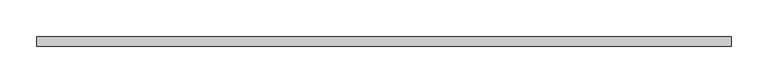
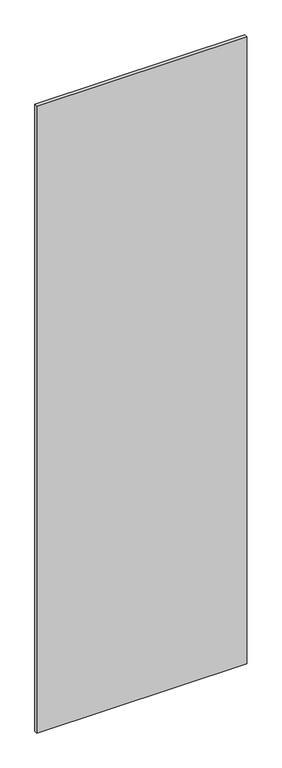
"""IFC4 building model written with IfcOpenShell, lengths in millimetres: plate geometry."""

import ifcopenshell
import ifcopenshell.guid

model = None  # the IFC model being written
_history = None  # IfcOwnerHistory: only IFC2X3 demands one
_inside = {}  # id of a spatial element -> (the spatial element, [elements in it])
_under = {}  # id of a project, library or spatial element -> (it, [spatial elements below it])
_declared = {}  # id of a project -> (the project, [libraries it declares])
_typed = {}  # id of a type object -> (the type object, [elements of that type])
_made_of = {}  # id of a material, layer set ... -> (it, [elements and type objects made of it])


def new_model(schema):
    """Start an empty IFC model of exactly this schema.

    Asked for "IFC4X3", IfcOpenShell would pick the latest addendum, in which some entities
    have other attributes; the version numbers below select the first issue.
    IFC2X3 requires an IfcOwnerHistory on every rooted entity: one is made here for all.
    """
    global model, _history
    if schema == "IFC4X3":
        model = ifcopenshell.file(schema_version=(4, 3, 0, 0))
    else:
        model = ifcopenshell.file(schema=schema)
    _inside.clear()
    _under.clear()
    _declared.clear()
    _typed.clear()
    _made_of.clear()
    _history = None
    if model.schema == "IFC2X3":
        org = make("IfcOrganization", Name="unknown")
        user = make(
            "IfcPersonAndOrganization",
            ThePerson=make("IfcPerson", FamilyName="unknown"),
            TheOrganization=org,
        )
        app = make(
            "IfcApplication",
            ApplicationDeveloper=org,
            Version="unknown",
            ApplicationFullName="unknown",
            ApplicationIdentifier="unknown",
        )
        _history = make(
            "IfcOwnerHistory",
            OwningUser=user,
            OwningApplication=app,
            ChangeAction="ADDED",
            CreationDate=0,
        )
    return model


def make(cls, **values):
    """One entity of the class cls with the attributes given. An attribute that is None is left unset."""
    return model.create_entity(
        cls, **{name: value for name, value in values.items() if value is not None}
    )


def rooted(cls, **values):
    """An entity with a GlobalId (a new one), such as an element, a storey or a relation."""
    return make(cls, GlobalId=ifcopenshell.guid.new(), OwnerHistory=_history, **values)


def si_unit(unit_type, name, prefix=None):
    """IfcSIUnit, for example si_unit("LENGTHUNIT", "METRE", prefix="MILLI")."""
    return make("IfcSIUnit", UnitType=unit_type, Prefix=prefix, Name=name)


def assignment(units):
    """IfcUnitAssignment: the units of a project."""
    return None if units is None else make("IfcUnitAssignment", Units=units)


def point(xyz):
    """IfcCartesianPoint."""
    return None if xyz is None else make("IfcCartesianPoint", Coordinates=xyz)


def direction(xyz):
    """IfcDirection."""
    return None if xyz is None else make("IfcDirection", DirectionRatios=xyz)


def frame(location, z_axis=None, x_axis=None):
    """IfcAxis2Placement3D, a coordinate frame: its origin and axes. An axis left out is left unset."""
    return make(
        "IfcAxis2Placement3D",
        Location=point(location),
        Axis=direction(z_axis),
        RefDirection=direction(x_axis),
    )


def origin():
    """The frame at (0, 0, 0) with its axes left unset."""
    return frame((0.0, 0.0, 0.0))


def origin_with_axes():
    """The frame at (0, 0, 0) with the z axis (0, 0, 1) and the x axis (1, 0, 0) written out."""
    return frame((0.0, 0.0, 0.0), z_axis=(0.0, 0.0, 1.0), x_axis=(1.0, 0.0, 0.0))


def place(relative_to, where):
    """IfcLocalPlacement: puts the frame where relative to a parent placement (None: the world)."""
    return make(
        "IfcLocalPlacement", PlacementRelTo=relative_to, RelativePlacement=where
    )


def context(
    kind, dimensions, precision=None, world=None, true_north=None, identifier=None
):
    """IfcGeometricRepresentationContext, for example the 3D "Model" context."""
    return make(
        "IfcGeometricRepresentationContext",
        ContextIdentifier=identifier,
        ContextType=kind,
        CoordinateSpaceDimension=dimensions,
        Precision=precision,
        WorldCoordinateSystem=world,
        TrueNorth=true_north,
    )


def project(units=None, contexts=None):
    """IfcProject with its units and contexts."""
    return rooted(
        "IfcProject",
        Name="project",
        RepresentationContexts=contexts,
        UnitsInContext=assignment(units),
    )


def spatial(cls, under=None, at=None, **own):
    """A site, building, storey or space (cls), placed at a placement, below another one or the project."""
    s = rooted(cls, ObjectPlacement=at, **own)
    if under is not None:
        _under.setdefault(under.id(), (under, []))[1].append(s)
    return s


def polyline(points):
    """IfcPolyline through the points."""
    return make("IfcPolyline", Points=[point(p) for p in points])


def outline(outer, holes=None, kind="AREA"):
    """IfcArbitraryClosedProfileDef: a profile drawn as a closed curve; with holes, ...WithVoids."""
    if holes is None:
        return make("IfcArbitraryClosedProfileDef", ProfileType=kind, OuterCurve=outer)
    return make(
        "IfcArbitraryProfileDefWithVoids",
        ProfileType=kind,
        OuterCurve=outer,
        InnerCurves=holes,
    )


def extrude(swept, where, along, depth):
    """IfcExtrudedAreaSolid: the profile swept, set in the frame where, extruded along a direction by depth."""
    return make(
        "IfcExtrudedAreaSolid",
        SweptArea=swept,
        Position=where,
        ExtrudedDirection=direction(along),
        Depth=depth,
    )


def shape(context_of_items, identifier, shape_type, items):
    """IfcShapeRepresentation: the items that make up one representation, for example the "Body"."""
    return make(
        "IfcShapeRepresentation",
        ContextOfItems=context_of_items,
        RepresentationIdentifier=identifier,
        RepresentationType=shape_type,
        Items=items,
    )


def source(mapping_origin, context_of_items, identifier, shape_type, items):
    """IfcRepresentationMap: a shape defined once, which mapped items show again and again."""
    return make(
        "IfcRepresentationMap",
        MappingOrigin=mapping_origin,
        MappedRepresentation=shape(context_of_items, identifier, shape_type, items),
    )


def transform(
    local_origin,
    x_axis=None,
    y_axis=None,
    z_axis=None,
    scale=None,
    scale2=None,
    scale3=None,
    uniform=True,
):
    """IfcCartesianTransformationOperator3D, or its non-uniform kind. x_axis, y_axis, z_axis: its Axis1, 2, 3."""
    if uniform:
        return make(
            "IfcCartesianTransformationOperator3D",
            Axis1=direction(x_axis),
            Axis2=direction(y_axis),
            LocalOrigin=point(local_origin),
            Scale=scale,
            Axis3=direction(z_axis),
        )
    return make(
        "IfcCartesianTransformationOperator3DnonUniform",
        Axis1=direction(x_axis),
        Axis2=direction(y_axis),
        LocalOrigin=point(local_origin),
        Scale=scale,
        Axis3=direction(z_axis),
        Scale2=scale2,
        Scale3=scale3,
    )


def mapped(mapping_source, mapping_target):
    """IfcMappedItem: shows the shape of a source again, moved by a transform."""
    return make(
        "IfcMappedItem", MappingSource=mapping_source, MappingTarget=mapping_target
    )


def made_of(thing, what):
    """Note that an element or type object is made of a material, layer set ...; save() writes the relation."""
    if what is not None:
        _made_of.setdefault(what.id(), (what, []))[1].append(thing)
    return thing


def element(
    cls,
    number,
    at=None,
    inside=None,
    cuts=None,
    type_object=None,
    material=None,
    context=None,
    identifier="Body",
    shape_type=None,
    held_by="IfcProductDefinitionShape",
    body=None,
    shapes=None,
    **own,
):
    """One element of the class cls, such as IfcWall. Its Tag is "e" and its number.

    at: its placement. inside: the storey or other place that contains it. cuts: it is an
    opening in that element (IfcRelVoidsElement). A single representation is given by context,
    identifier, shape_type and body (its items); several are given by shapes. held_by: the class
    of the entity that holds the representations. save() writes the other relations.
    """
    e = rooted(cls, Tag="e%d" % number, ObjectPlacement=at, **own)
    if body is not None:
        shapes = [shape(context, identifier, shape_type, body)]
    if shapes is not None:
        e.Representation = make(held_by, Representations=shapes)
    if inside is not None:
        _inside.setdefault(inside.id(), (inside, []))[1].append(e)
    if cuts is not None:
        rooted(
            "IfcRelVoidsElement", RelatingBuildingElement=cuts, RelatedOpeningElement=e
        )
    if type_object is not None:
        _typed.setdefault(type_object.id(), (type_object, []))[1].append(e)
    return made_of(e, material)


def aggregate(whole, parts):
    """IfcRelAggregates: a whole, such as a stair, and the parts it consists of."""
    return rooted("IfcRelAggregates", RelatingObject=whole, RelatedObjects=parts)


def save(model, path):
    """Write the relations noted so far, then the file.

    IfcRelAggregates (storeys below a building ...), IfcRelContainedInSpatialStructure (elements
    in a storey), IfcRelDefinesByType, IfcRelAssociatesMaterial and IfcRelDeclares: one each for
    every whole, place, type object, material and project.
    """
    for whole, parts in _under.values():
        aggregate(whole, parts)
    for where, things in _inside.values():
        rooted(
            "IfcRelContainedInSpatialStructure",
            RelatedElements=things,
            RelatingStructure=where,
        )
    for kind, things in _typed.values():
        rooted("IfcRelDefinesByType", RelatedObjects=things, RelatingType=kind)
    for what, things in _made_of.values():
        rooted("IfcRelAssociatesMaterial", RelatedObjects=things, RelatingMaterial=what)
    for by, libraries in _declared.values():
        rooted("IfcRelDeclares", RelatingContext=by, RelatedDefinitions=libraries)
    model.write(path)


def plate_f1329cd7(model_context):
    return source(origin(), model_context, "Body", "SweptSolid", [
        extrude(outline(polyline([(469.9, 26.9875), (469.9, 14.2875), (-469.9, 14.2875), (-469.9, 26.9875), (469.9, 26.9875)])), origin_with_axes(), (0.0, 0.0, 1.0), 2965.45),
    ])


if __name__ == "__main__":
    model = new_model("IFC4")
    model_context = context("Model", 3, world=origin())
    ifc_project = project(units=[si_unit("LENGTHUNIT", "METRE", prefix="MILLI")], contexts=[model_context])
    site = spatial("IfcSite", under=ifc_project)
    building = spatial("IfcBuilding", under=site)
    placement = place(None, origin())
    plate_shape = plate_f1329cd7(model_context)
    element("IfcPlate", 1, at=placement, inside=building, context=model_context, shape_type="MappedRepresentation", body=[
        mapped(plate_shape, transform((0.0, 0.0, 0.0), x_axis=(1.0, 0.0, 0.0), y_axis=(0.0, 1.0, 0.0), z_axis=(0.0, 0.0, 1.0))),
    ])
    save(model, "model.ifc")
